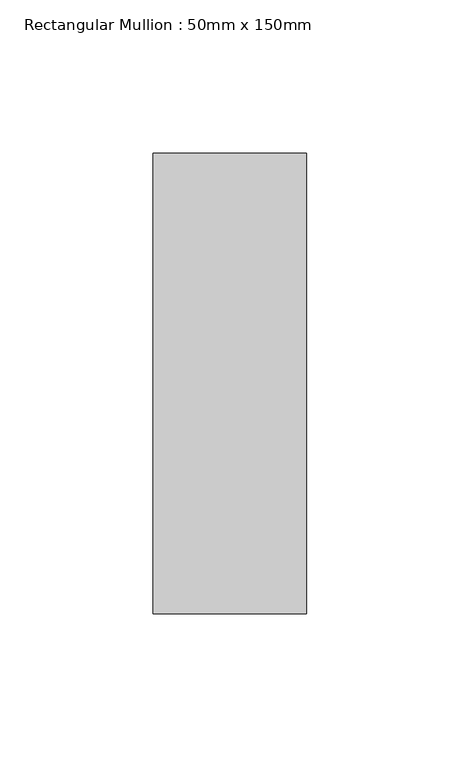
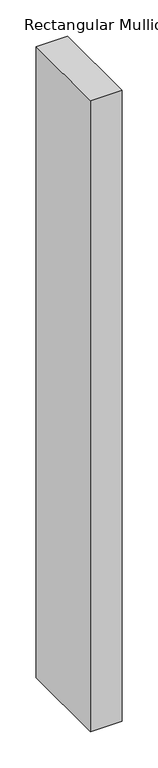
"""IFC4 building model written with IfcOpenShell, lengths in millimetres: member geometry, Rectangular Mullion : 50mm x 150mm."""

from ifc_helpers import new_model, si_unit, frame, origin, place, context, project, spatial, polyline, outline, extrude, source, transform, mapped, element, save


def rectangular_mullion_50mm_x_150mm_24e70242(model_context):
    return source(origin(), model_context, "Body", "SweptSolid", [
        extrude(outline(polyline([(0.0, 75.0), (0.0, -75.0), (-50.0, -75.0), (-50.0, 75.0), (0.0, 75.0)])), frame((0.0, 0.0, -1061.5789476), z_axis=(0.0, 0.0, 1.0), x_axis=(1.0, 0.0, 0.0)), (0.0, 0.0, 1.0), 1061.5789476),
    ])


if __name__ == "__main__":
    model = new_model("IFC4")
    model_context = context("Model", 3, world=origin())
    ifc_project = project(units=[si_unit("LENGTHUNIT", "METRE", prefix="MILLI")], contexts=[model_context])
    site = spatial("IfcSite", under=ifc_project)
    building = spatial("IfcBuilding", under=site)
    placement = place(None, origin())
    rectangular_mullion_50mm_x_150mm_shape = rectangular_mullion_50mm_x_150mm_24e70242(model_context)
    element("IfcMember", 1, ObjectType="Rectangular Mullion : 50mm x 150mm", at=placement, inside=building, context=model_context, shape_type="MappedRepresentation", body=[
        mapped(rectangular_mullion_50mm_x_150mm_shape, transform((0.0, 0.0, 0.0), x_axis=(1.0, 0.0, 0.0), y_axis=(0.0, 1.0, 0.0), z_axis=(0.0, 0.0, 1.0))),
    ])
    save(model, "model.ifc")
